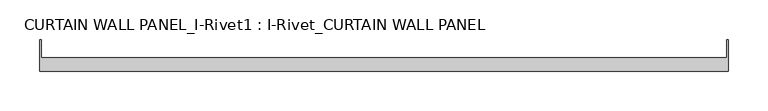
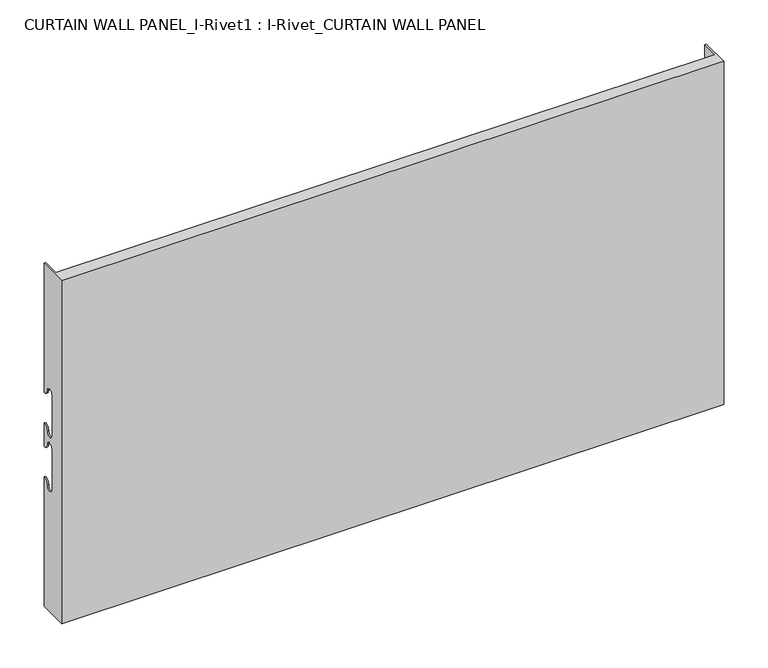
"""IFC4 building model written with IfcOpenShell, lengths in millimetres: plate geometry, CURTAIN WALL PANEL_I-Rivet1 : I-Rivet_CURTAIN WALL PANEL."""

from ifc_helpers import new_model, si_unit, frame, origin, place, context, project, spatial, polyline, circle_curve, source, transform, mapped, element, save
from ifc_brep_helpers import plane_surface, cylinder_surface, revolved_surface, advanced_brep


def curtain_wall_panel_i_rivet1_i_rivet_curtain_wall_panel_2be894ba(model_context):
    return source(origin(), model_context, "Body", "AdvancedBrep", [
        advanced_brep(
        [(-433.5, -85.0, 475.0), (433.5, -85.0, 475.0), (433.5, -45.3384103, 475.0), (431.5, -45.3384103, 475.0), (431.5, -68.0, 475.0), (-431.5, -68.0, 475.0), (-431.5, -45.3384103, 475.0), (-433.5, -45.3384103, 475.0), (-433.5, -85.0, 0.0), (-433.5, -45.3384103, 0.0), (-431.5, -45.3384103, 0.0), (-431.5, -68.0, 0.0), (431.5, -68.0, 0.0), (431.5, -45.3384103, 0.0), (433.5, -45.3384103, 0.0), (433.5, -85.0, 0.0), (-433.5, -45.3384103, 296.0), (-433.5, -52.3384103, 303.0), (-433.5, -63.3384103, 303.0), (-433.5, -63.3384103, 247.0), (-433.5, -52.3384103, 247.0), (-433.5, -45.3384103, 254.0), (-433.5, -45.3384103, 221.0), (-433.5, -52.3384103, 228.0), (-433.5, -63.3384103, 228.0), (-433.5, -63.3384103, 172.0), (-433.5, -52.3384103, 172.0), (-433.5, -45.3384103, 179.0), (-431.5, -45.3384103, 179.0), (-431.5, -45.3384103, 254.0), (-431.5, -45.3384103, 221.0), (-431.5, -45.3384103, 296.0), (433.5, -45.3384103, 296.0), (431.5, -45.3384103, 296.0), (431.5, -45.3384103, 179.0), (433.5, -45.3384103, 179.0), (431.5, -45.3384103, 221.0), (431.5, -45.3384103, 254.0), (433.5, -45.3384103, 254.0), (433.5, -45.3384103, 221.0), (433.5, -52.3384103, 172.0), (433.5, -63.3384103, 172.0), (433.5, -63.3384103, 228.0), (433.5, -52.3384103, 228.0), (433.5, -52.3384103, 247.0), (433.5, -63.3384103, 247.0), (433.5, -63.3384103, 303.0), (433.5, -52.3384103, 303.0), (-431.5, -52.3384103, 172.0), (-431.5, -63.3384103, 172.0), (-431.5, -63.3384103, 228.0), (-431.5, -52.3384103, 228.0), (-431.5, -52.3384103, 247.0), (-431.5, -63.3384103, 247.0), (-431.5, -63.3384103, 303.0), (-431.5, -52.3384103, 303.0), (431.5, -52.3384103, 303.0), (431.5, -63.3384103, 303.0), (431.5, -63.3384103, 247.0), (431.5, -52.3384103, 247.0), (431.5, -52.3384103, 228.0), (431.5, -63.3384103, 228.0), (431.5, -63.3384103, 172.0), (431.5, -52.3384103, 172.0)],
        [
            (0, 1),
            (1, 2),
            (2, 3),
            (3, 4),
            (4, 5),
            (5, 6),
            (6, 7),
            (7, 0),
            (8, 9),
            (9, 10),
            (10, 11),
            (11, 12),
            (12, 13),
            (13, 14),
            (14, 15),
            (15, 8),
            (7, 16),
            (16, 17, circle_curve(frame((-433.5, -45.3384103, 303.0), z_axis=(-1.0, 0.0, 0.0), x_axis=(0.0, -1.0, 0.0)), 7.0)),
            (17, 18, circle_curve(frame((-433.5, -57.8384103, 303.0), z_axis=(1.0, 0.0, 0.0), x_axis=(0.0, -1.0, 0.0)), 5.5)),
            (18, 19),
            (19, 20, circle_curve(frame((-433.5, -57.8384103, 247.0), z_axis=(1.0, 0.0, 0.0), x_axis=(0.0, -1.0, 0.0)), 5.5)),
            (20, 21, circle_curve(frame((-433.5, -45.3384103, 247.0), z_axis=(-1.0, 0.0, 0.0), x_axis=(0.0, -1.0, 0.0)), 7.0)),
            (21, 22),
            (22, 23, circle_curve(frame((-433.5, -45.3384103, 228.0), z_axis=(-1.0, 0.0, 0.0), x_axis=(0.0, -1.0, 0.0)), 7.0)),
            (23, 24, circle_curve(frame((-433.5, -57.8384103, 228.0), z_axis=(1.0, 0.0, 0.0), x_axis=(0.0, -1.0, 0.0)), 5.5)),
            (24, 25),
            (25, 26, circle_curve(frame((-433.5, -57.8384103, 172.0), z_axis=(1.0, 0.0, 0.0), x_axis=(0.0, -1.0, 0.0)), 5.5)),
            (26, 27, circle_curve(frame((-433.5, -45.3384103, 172.0), z_axis=(-1.0, 0.0, 0.0), x_axis=(0.0, -1.0, 0.0)), 7.0)),
            (27, 9),
            (8, 0),
            (27, 28),
            (28, 10),
            (21, 29),
            (29, 30),
            (30, 22),
            (6, 31),
            (31, 16),
            (2, 32),
            (32, 33),
            (33, 3),
            (13, 34),
            (34, 35),
            (35, 14),
            (36, 37),
            (37, 38),
            (38, 39),
            (39, 36),
            (1, 15),
            (35, 40, circle_curve(frame((433.5, -45.3384103, 172.0), z_axis=(1.0, 0.0, 0.0), x_axis=(0.0, -1.0, 0.0)), 7.0)),
            (40, 41, circle_curve(frame((433.5, -57.8384103, 172.0), z_axis=(-1.0, 0.0, 0.0), x_axis=(0.0, -1.0, 0.0)), 5.5)),
            (41, 42),
            (42, 43, circle_curve(frame((433.5, -57.8384103, 228.0), z_axis=(-1.0, 0.0, 0.0), x_axis=(0.0, -1.0, 0.0)), 5.5)),
            (43, 39, circle_curve(frame((433.5, -45.3384103, 228.0), z_axis=(1.0, 0.0, 0.0), x_axis=(0.0, -1.0, 0.0)), 7.0)),
            (38, 44, circle_curve(frame((433.5, -45.3384103, 247.0), z_axis=(1.0, 0.0, 0.0), x_axis=(0.0, -1.0, 0.0)), 7.0)),
            (44, 45, circle_curve(frame((433.5, -57.8384103, 247.0), z_axis=(-1.0, 0.0, 0.0), x_axis=(0.0, -1.0, 0.0)), 5.5)),
            (45, 46),
            (46, 47, circle_curve(frame((433.5, -57.8384103, 303.0), z_axis=(-1.0, 0.0, 0.0), x_axis=(0.0, -1.0, 0.0)), 5.5)),
            (47, 32, circle_curve(frame((433.5, -45.3384103, 303.0), z_axis=(1.0, 0.0, 0.0), x_axis=(0.0, -1.0, 0.0)), 7.0)),
            (5, 11),
            (28, 48, circle_curve(frame((-431.5, -45.3384103, 172.0), z_axis=(1.0, 0.0, 0.0), x_axis=(0.0, -1.0, 0.0)), 7.0)),
            (48, 49, circle_curve(frame((-431.5, -57.8384103, 172.0), z_axis=(-1.0, 0.0, 0.0), x_axis=(0.0, -1.0, 0.0)), 5.5)),
            (49, 50),
            (50, 51, circle_curve(frame((-431.5, -57.8384103, 228.0), z_axis=(-1.0, 0.0, 0.0), x_axis=(0.0, -1.0, 0.0)), 5.5)),
            (51, 30, circle_curve(frame((-431.5, -45.3384103, 228.0), z_axis=(1.0, 0.0, 0.0), x_axis=(0.0, -1.0, 0.0)), 7.0)),
            (29, 52, circle_curve(frame((-431.5, -45.3384103, 247.0), z_axis=(1.0, 0.0, 0.0), x_axis=(0.0, -1.0, 0.0)), 7.0)),
            (52, 53, circle_curve(frame((-431.5, -57.8384103, 247.0), z_axis=(-1.0, 0.0, 0.0), x_axis=(0.0, -1.0, 0.0)), 5.5)),
            (53, 54),
            (54, 55, circle_curve(frame((-431.5, -57.8384103, 303.0), z_axis=(-1.0, 0.0, 0.0), x_axis=(0.0, -1.0, 0.0)), 5.5)),
            (55, 31, circle_curve(frame((-431.5, -45.3384103, 303.0), z_axis=(1.0, 0.0, 0.0), x_axis=(0.0, -1.0, 0.0)), 7.0)),
            (33, 56, circle_curve(frame((431.5, -45.3384103, 303.0), z_axis=(-1.0, 0.0, 0.0), x_axis=(0.0, -1.0, 0.0)), 7.0)),
            (56, 57, circle_curve(frame((431.5, -57.8384103, 303.0), z_axis=(1.0, 0.0, 0.0), x_axis=(0.0, -1.0, 0.0)), 5.5)),
            (57, 58),
            (58, 59, circle_curve(frame((431.5, -57.8384103, 247.0), z_axis=(1.0, 0.0, 0.0), x_axis=(0.0, -1.0, 0.0)), 5.5)),
            (59, 37, circle_curve(frame((431.5, -45.3384103, 247.0), z_axis=(-1.0, 0.0, 0.0), x_axis=(0.0, -1.0, 0.0)), 7.0)),
            (36, 60, circle_curve(frame((431.5, -45.3384103, 228.0), z_axis=(-1.0, 0.0, 0.0), x_axis=(0.0, -1.0, 0.0)), 7.0)),
            (60, 61, circle_curve(frame((431.5, -57.8384103, 228.0), z_axis=(1.0, 0.0, 0.0), x_axis=(0.0, -1.0, 0.0)), 5.5)),
            (61, 62),
            (62, 63, circle_curve(frame((431.5, -57.8384103, 172.0), z_axis=(1.0, 0.0, 0.0), x_axis=(0.0, -1.0, 0.0)), 5.5)),
            (63, 34, circle_curve(frame((431.5, -45.3384103, 172.0), z_axis=(-1.0, 0.0, 0.0), x_axis=(0.0, -1.0, 0.0)), 7.0)),
            (12, 4),
            (41, 62),
            (61, 42),
            (49, 25),
            (24, 50),
            (40, 63),
            (48, 26),
            (51, 23),
            (43, 60),
            (18, 54),
            (53, 19),
            (57, 46),
            (45, 58),
            (17, 55),
            (56, 47),
            (59, 44),
            (20, 52),
        ],
        [
            plane_surface(frame((-433.5, -45.3384103, 475.0), z_axis=(0.0, 0.0, 1.0), x_axis=(0.0, 1.0, 0.0))),
            plane_surface(frame((-433.5, -45.3384103, 0.0), z_axis=(0.0, 0.0, -1.0), x_axis=(0.0, -1.0, 0.0))),
            plane_surface(frame((-433.5, -85.0, 475.0), z_axis=(-1.0, 0.0, 0.0), x_axis=(0.0, 0.0, -1.0))),
            plane_surface(frame((-433.5, -45.3384103, 475.0), z_axis=(0.0, 1.0, 0.0), x_axis=(0.0, 0.0, -1.0))),
            plane_surface(frame((431.5, -45.3384103, 475.0), z_axis=(0.0, 1.0, 0.0), x_axis=(0.0, 0.0, -1.0))),
            plane_surface(frame((433.5, -45.3384103, 475.0), z_axis=(1.0, 0.0, 0.0), x_axis=(0.0, 0.0, -1.0))),
            plane_surface(frame((433.5, -85.0, 475.0), z_axis=(0.0, -1.0, 0.0), x_axis=(0.0, 0.0, -1.0))),
            plane_surface(frame((-431.5, -45.3384103, 475.0), z_axis=(1.0, 0.0, 0.0), x_axis=(0.0, 0.0, -1.0))),
            plane_surface(frame((431.5, -68.0, 475.0), z_axis=(-1.0, 0.0, 0.0), x_axis=(0.0, 0.0, -1.0))),
            plane_surface(frame((-432.5, -68.0, 475.0), z_axis=(0.0, 1.0, 0.0), x_axis=(0.0, 0.0, -1.0))),
            plane_surface(frame((-433.5, -63.3384103, 228.0), z_axis=(0.0, 1.0, 0.0), x_axis=(1.0, 0.0, 0.0))),
            revolved_surface(polyline([(431.5, -63.3384103, 172.0), (433.5, -63.3384103, 172.0)]), (-433.5, -57.8384103, 172.0), (-1.0, 0.0, 0.0)),
            revolved_surface(polyline([(-433.5, -63.3384103, 172.0), (-431.5, -63.3384103, 172.0)]), (-433.5, -57.8384103, 172.0), (-1.0, 0.0, 0.0)),
            cylinder_surface(frame((-433.5, -45.3384103, 172.0), z_axis=(1.0, 0.0, 0.0), x_axis=(0.0, -1.0, 0.0)), 7.0),
            cylinder_surface(frame((-433.5, -45.3384103, 228.0), z_axis=(1.0, 0.0, 0.0), x_axis=(0.0, -1.0, 0.0)), 7.0),
            revolved_surface(polyline([(-433.5, -63.3384103, 228.0), (-431.5, -63.3384103, 228.0)]), (-433.5, -57.8384103, 228.0), (-1.0, 0.0, 0.0)),
            revolved_surface(polyline([(431.5, -63.3384103, 228.0), (433.5, -63.3384103, 228.0)]), (-433.5, -57.8384103, 228.0), (-1.0, 0.0, 0.0)),
            plane_surface(frame((433.5, -63.3384103, 247.0), z_axis=(0.0, 1.0, 0.0), x_axis=(-1.0, 0.0, 0.0))),
            revolved_surface(polyline([(-431.5, -63.3384103, 303.0), (-433.5, -63.3384103, 303.0)]), (433.5, -57.8384103, 303.0), (1.0, 0.0, 0.0)),
            revolved_surface(polyline([(433.5, -63.3384103, 303.0), (431.5, -63.3384103, 303.0)]), (433.5, -57.8384103, 303.0), (1.0, 0.0, 0.0)),
            cylinder_surface(frame((433.5, -45.3384103, 303.0), z_axis=(-1.0, 0.0, 0.0), x_axis=(0.0, -1.0, 0.0)), 7.0),
            cylinder_surface(frame((433.5, -45.3384103, 247.0), z_axis=(-1.0, 0.0, 0.0), x_axis=(0.0, -1.0, 0.0)), 7.0),
            revolved_surface(polyline([(433.5, -63.3384103, 247.0), (431.5, -63.3384103, 247.0)]), (433.5, -57.8384103, 247.0), (1.0, 0.0, 0.0)),
            revolved_surface(polyline([(-431.5, -63.3384103, 247.0), (-433.5, -63.3384103, 247.0)]), (433.5, -57.8384103, 247.0), (1.0, 0.0, 0.0)),
        ],
        [
            (0, [[1, 2, 3, 4, 5, 6, 7, 8]]),
            (1, [[9, 10, 11, 12, 13, 14, 15, 16]]),
            (2, [[17, 18, 19, 20, 21, 22, 23, 24, 25, 26, 27, 28, 29, -9, 30, -8]]),
            (3, [[-29, 31, 32, -10]]),
            (3, [[-23, 33, 34, 35]]),
            (3, [[36, 37, -17, -7]]),
            (4, [[38, 39, 40, -3]]),
            (4, [[41, 42, 43, -14]]),
            (4, [[44, 45, 46, 47]]),
            (5, [[48, -15, -43, 49, 50, 51, 52, 53, -46, 54, 55, 56, 57, 58, -38, -2]]),
            (6, [[-30, -16, -48, -1]]),
            (7, [[59, -11, -32, 60, 61, 62, 63, 64, -34, 65, 66, 67, 68, 69, -36, -6]]),
            (8, [[-40, 70, 71, 72, 73, 74, -44, 75, 76, 77, 78, 79, -41, -13, 80, -4]]),
            (9, [[-80, -12, -59, -5]]),
            (10, [[-51, 81, -77, 82]]),
            (10, [[-62, 83, -26, 84]]),
            (11, [[-50, 85, -78, -81]]),
            (12, [[-61, 86, -27, -83]]),
            (13, [[-49, -42, -79, -85]]),
            (13, [[-60, -31, -28, -86]]),
            (14, [[-24, -35, -64, 87]]),
            (14, [[-75, -47, -53, 88]]),
            (15, [[-25, -87, -63, -84]]),
            (16, [[-76, -88, -52, -82]]),
            (17, [[-20, 89, -67, 90]]),
            (17, [[-72, 91, -56, 92]]),
            (18, [[-19, 93, -68, -89]]),
            (19, [[-71, 94, -57, -91]]),
            (20, [[-18, -37, -69, -93]]),
            (20, [[-70, -39, -58, -94]]),
            (21, [[-54, -45, -74, 95]]),
            (21, [[-65, -33, -22, 96]]),
            (22, [[-55, -95, -73, -92]]),
            (23, [[-66, -96, -21, -90]]),
        ],
    ),
    ])


if __name__ == "__main__":
    model = new_model("IFC4")
    model_context = context("Model", 3, world=origin())
    ifc_project = project(units=[si_unit("LENGTHUNIT", "METRE", prefix="MILLI")], contexts=[model_context])
    site = spatial("IfcSite", under=ifc_project)
    building = spatial("IfcBuilding", under=site)
    placement = place(None, origin())
    curtain_wall_panel_i_rivet1_i_rivet_curtain_wall_panel_shape = curtain_wall_panel_i_rivet1_i_rivet_curtain_wall_panel_2be894ba(model_context)
    element("IfcPlate", 1, ObjectType="CURTAIN WALL PANEL_I-Rivet1 : I-Rivet_CURTAIN WALL PANEL", at=placement, inside=building, context=model_context, shape_type="MappedRepresentation", body=[
        mapped(curtain_wall_panel_i_rivet1_i_rivet_curtain_wall_panel_shape, transform((0.0, 0.0, 0.0), x_axis=(1.0, 0.0, 0.0), y_axis=(0.0, 1.0, 0.0), z_axis=(0.0, 0.0, 1.0))),
    ])
    save(model, "model.ifc")
